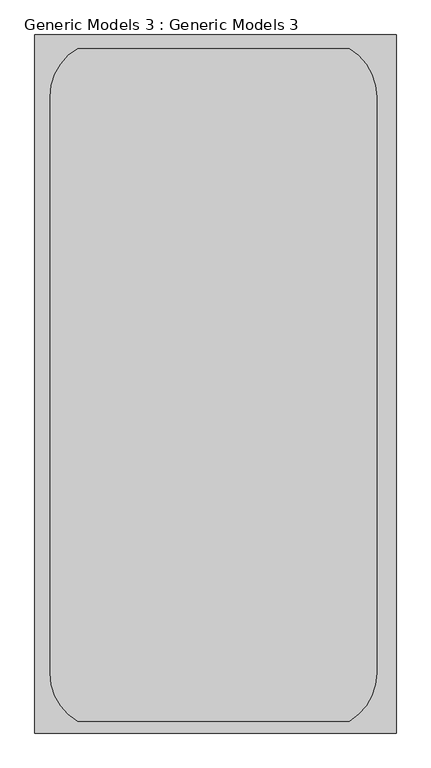
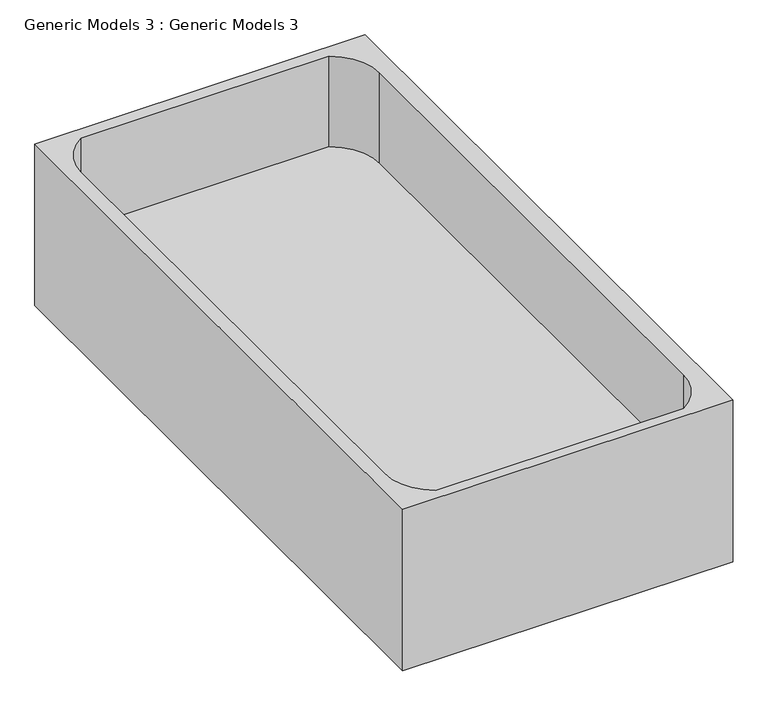
"""IFC4 building model written with IfcOpenShell, lengths in millimetres: proxy geometry, Generic Models 3 : Generic Models 3."""

from ifc_helpers import new_model, si_unit, frame, origin, place, context, project, spatial, polyline, circle_curve, source, transform, mapped, element, save
from ifc_brep_helpers import plane_surface, revolved_surface, advanced_brep


def generic_models_3_generic_models_3_b198311a(model_context):
    return source(origin(), model_context, "Body", "AdvancedBrep", [
        advanced_brep(
        [(533.3661776, -3812.1108357, 3152.6031261), (-159.5680141, -3812.1108357, 3152.6031261), (-159.5680141, -5149.7315699, 3152.6031261), (533.3661776, -5149.7315699, 3152.6031261), (496.1313423, -3930.5392867, 3152.6031261), (496.1313423, -5035.0499389, 3152.6031261), (443.2268804, -5127.1924618, 3152.6031261), (-77.4731196, -5127.1924618, 3152.6031261), (-130.3775814, -5035.0499389, 3152.6031261), (-130.3775814, -3930.5392867, 3152.6031261), (-77.4731196, -3838.3967637, 3152.6031261), (443.2268804, -3838.3967637, 3152.6031261), (533.3661776, -3812.1108357, 2794.0), (533.3661776, -5149.7315699, 2794.0), (-159.5680141, -5149.7315699, 2794.0), (-159.5680141, -3812.1108357, 2794.0), (496.1313423, -5035.0499389, 2951.8802871), (496.1313423, -3930.5392867, 2951.8802871), (443.2268804, -3838.3967637, 2951.8802871), (-77.4731196, -3838.3967637, 2951.8802871), (-130.3775814, -3930.5392867, 2951.8802871), (-130.3775814, -5035.0499389, 2951.8802871), (-77.4731196, -5127.1924618, 2951.8802871), (443.2268804, -5127.1924618, 2951.8802871)],
        [
            (0, 1),
            (1, 2),
            (2, 3),
            (3, 0),
            (4, 5),
            (5, 6, circle_curve(frame((389.4378214, -5035.0499389, 3152.6031261), z_axis=(0.0, 0.0, -1.0), x_axis=(1.0, 0.0, 0.0)), 106.693521)),
            (6, 7),
            (7, 8, circle_curve(frame((-23.6840605, -5035.0499389, 3152.6031261), z_axis=(0.0, 0.0, -1.0), x_axis=(-1.0, 0.0, 0.0)), 106.693521)),
            (8, 9),
            (9, 10, circle_curve(frame((-23.6840605, -3930.5392867, 3152.6031261), z_axis=(0.0, 0.0, -1.0), x_axis=(-1.0, 0.0, 0.0)), 106.693521)),
            (10, 11),
            (11, 4, circle_curve(frame((389.4378214, -3930.5392867, 3152.6031261), z_axis=(0.0, 0.0, -1.0), x_axis=(1.0, 0.0, 0.0)), 106.693521)),
            (12, 13),
            (13, 14),
            (14, 15),
            (15, 12),
            (0, 12),
            (15, 1),
            (14, 2),
            (13, 3),
            (16, 17),
            (17, 18, circle_curve(frame((389.4378214, -3930.5392867, 2951.8802871), z_axis=(0.0, 0.0, 1.0), x_axis=(1.0, 0.0, 0.0)), 106.693521)),
            (18, 19),
            (19, 20, circle_curve(frame((-23.6840605, -3930.5392867, 2951.8802871), z_axis=(0.0, 0.0, 1.0), x_axis=(-1.0, 0.0, 0.0)), 106.693521)),
            (20, 21),
            (21, 22, circle_curve(frame((-23.6840605, -5035.0499389, 2951.8802871), z_axis=(0.0, 0.0, 1.0), x_axis=(-1.0, 0.0, 0.0)), 106.693521)),
            (22, 23),
            (23, 16, circle_curve(frame((389.4378214, -5035.0499389, 2951.8802871), z_axis=(0.0, 0.0, 1.0), x_axis=(1.0, 0.0, 0.0)), 106.693521)),
            (16, 5),
            (4, 17),
            (11, 18),
            (10, 19),
            (9, 20),
            (8, 21),
            (7, 22),
            (6, 23),
        ],
        [
            plane_surface(frame((-597.6459049, -3812.1108357, 3152.6031261), z_axis=(0.0, 0.0, 1.0), x_axis=(-1.0, 0.0, 0.0))),
            plane_surface(frame((-597.6459049, -3812.1108357, 2794.0), z_axis=(0.0, 0.0, -1.0), x_axis=(1.0, 0.0, 0.0))),
            plane_surface(frame((533.3661776, -3812.1108357, 3152.6031261), z_axis=(0.0, 1.0, 0.0), x_axis=(0.0, 0.0, -1.0))),
            plane_surface(frame((-159.5680141, -3812.1108357, 3152.6031261), z_axis=(-1.0, 0.0, 0.0), x_axis=(0.0, 0.0, -1.0))),
            plane_surface(frame((-159.5680141, -5149.7315699, 3152.6031261), z_axis=(0.0, -1.0, 0.0), x_axis=(0.0, 0.0, -1.0))),
            plane_surface(frame((533.3661776, -5149.7315699, 3152.6031261), z_axis=(1.0, 0.0, 0.0), x_axis=(0.0, 0.0, -1.0))),
            plane_surface(frame((496.1313423, -3955.9392867, 2951.8802871), z_axis=(0.0, 0.0, 1.0), x_axis=(0.0, -1.0, 0.0))),
            plane_surface(frame((496.1313423, -5035.0499389, 3152.6031261), z_axis=(-1.0, 0.0, 0.0), x_axis=(0.0, 0.0, -1.0))),
            revolved_surface(polyline([(496.1313424, -3930.5392867, 3152.6031261), (496.1313424, -3930.5392867, 2951.8802871)]), (389.4378214, -3930.5392867, 2951.8802871), (0.0, 0.0, 1.0)),
            plane_surface(frame((443.2268804, -3838.3967637, 3152.6031261), z_axis=(0.0, -1.0, 0.0), x_axis=(0.0, 0.0, -1.0))),
            revolved_surface(polyline([(-130.37758150000002, -3930.5392867, 3152.6031261), (-130.37758150000002, -3930.5392867, 2951.8802871)]), (-23.6840605, -3930.5392867, 2951.8802871), (0.0, 0.0, 1.0)),
            plane_surface(frame((-130.3775814, -3930.5392867, 3152.6031261), z_axis=(1.0, 0.0, 0.0), x_axis=(0.0, 0.0, -1.0))),
            revolved_surface(polyline([(-130.37758150000002, -5035.0499389, 3152.6031261), (-130.37758150000002, -5035.0499389, 2951.8802871)]), (-23.6840605, -5035.0499389, 2951.8802871), (0.0, 0.0, 1.0)),
            plane_surface(frame((-77.4731196, -5127.1924618, 3152.6031261), z_axis=(0.0, 1.0, 0.0), x_axis=(0.0, 0.0, -1.0))),
            revolved_surface(polyline([(496.1313424, -5035.0499389, 3152.6031261), (496.1313424, -5035.0499389, 2951.8802871)]), (389.4378214, -5035.0499389, 2951.8802871), (0.0, 0.0, 1.0)),
        ],
        [
            (0, [[1, 2, 3, 4], [5, 6, 7, 8, 9, 10, 11, 12]]),
            (1, [[13, 14, 15, 16]]),
            (2, [[-1, 17, -16, 18]]),
            (3, [[-2, -18, -15, 19]]),
            (4, [[-3, -19, -14, 20]]),
            (5, [[-4, -20, -13, -17]]),
            (6, [[21, 22, 23, 24, 25, 26, 27, 28]]),
            (7, [[-21, 29, -5, 30]]),
            (8, [[-22, -30, -12, 31]]),
            (9, [[-23, -31, -11, 32]]),
            (10, [[-24, -32, -10, 33]]),
            (11, [[-25, -33, -9, 34]]),
            (12, [[-26, -34, -8, 35]]),
            (13, [[-27, -35, -7, 36]]),
            (14, [[-28, -36, -6, -29]]),
        ],
    ),
    ])


if __name__ == "__main__":
    model = new_model("IFC4")
    model_context = context("Model", 3, world=origin())
    ifc_project = project(units=[si_unit("LENGTHUNIT", "METRE", prefix="MILLI")], contexts=[model_context])
    site = spatial("IfcSite", under=ifc_project)
    building = spatial("IfcBuilding", under=site)
    placement = place(None, origin())
    generic_models_3_generic_models_3_shape = generic_models_3_generic_models_3_b198311a(model_context)
    element("IfcBuildingElementProxy", 1, Name="Generic Models 3 : Generic Models 3", ObjectType="Generic Models 3 : Generic Models 3", at=placement, inside=building, context=model_context, shape_type="MappedRepresentation", body=[
        mapped(generic_models_3_generic_models_3_shape, transform((0.0, 0.0, 0.0), x_axis=(1.0, 0.0, 0.0), y_axis=(0.0, 1.0, 0.0), z_axis=(0.0, 0.0, 1.0))),
    ])
    save(model, "model.ifc")
